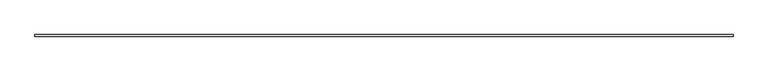
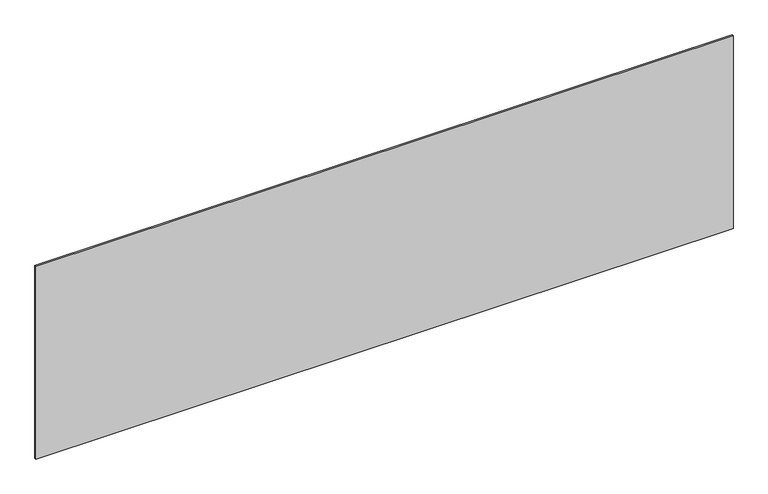
"""IFC4 building model written with IfcOpenShell, lengths in millimetres: plate geometry."""

from ifc_helpers import new_model, si_unit, origin, origin_with_axes, place, context, project, spatial, polyline, outline, extrude, source, transform, mapped, element, save


def plate_17cffce1(model_context):
    return source(origin(), model_context, "Body", "SweptSolid", [
        extrude(outline(polyline([(2189.1666667, -5.0), (-2189.1666667, -5.0), (-2189.1666667, 5.0), (2189.1666667, 5.0), (2189.1666667, -5.0)])), origin_with_axes(), (0.0, 0.0, 1.0), 1280.202493),
    ])


if __name__ == "__main__":
    model = new_model("IFC4")
    model_context = context("Model", 3, world=origin())
    ifc_project = project(units=[si_unit("LENGTHUNIT", "METRE", prefix="MILLI")], contexts=[model_context])
    site = spatial("IfcSite", under=ifc_project)
    building = spatial("IfcBuilding", under=site)
    placement = place(None, origin())
    plate_shape = plate_17cffce1(model_context)
    element("IfcPlate", 1, at=placement, inside=building, context=model_context, shape_type="MappedRepresentation", body=[
        mapped(plate_shape, transform((0.0, 0.0, 0.0), x_axis=(1.0, 0.0, 0.0), y_axis=(0.0, 1.0, 0.0), z_axis=(0.0, 0.0, 1.0))),
    ])
    save(model, "model.ifc")
